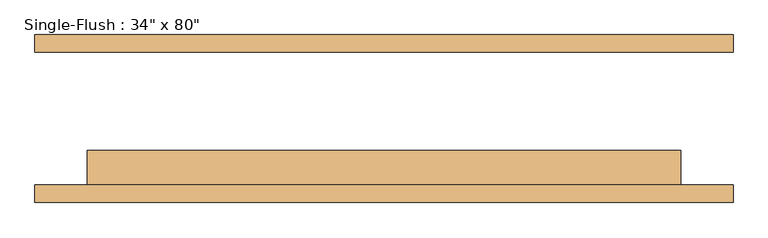
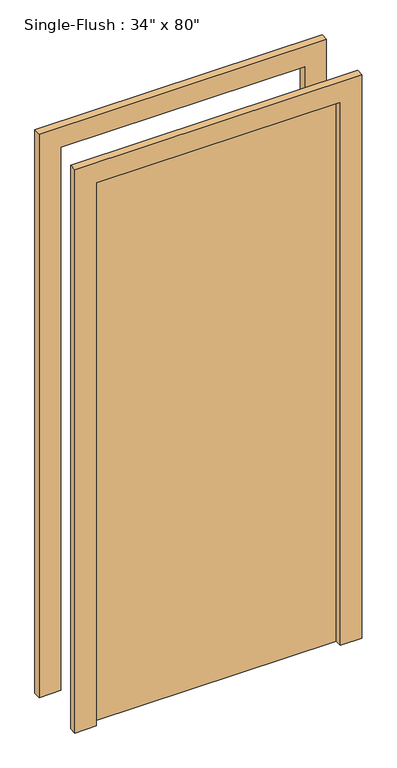
"""IFC4 building model written with IfcOpenShell, lengths in millimetres: door geometry."""

from ifc_helpers import new_model, si_unit, frame, origin, origin_with_axes, place, context, project, spatial, polyline, outline, extrude, source, transform, mapped, element, save


def door_a20226ba(model_context):
    return source(origin(), model_context, "Body", "SweptSolid", [
        extrude(outline(polyline([(2108.2, -508.0), (0.0, -508.0), (0.0, -431.8), (2032.0, -431.8), (2032.0, 431.8), (0.0, 431.8), (0.0, 508.0), (2108.2, 508.0), (2108.2, -508.0)])), frame((0.0, -122.2375, 0.0), z_axis=(0.0, 1.0, 0.0), x_axis=(0.0, 0.0, 1.0)), (0.0, 0.0, 1.0), 25.4),
        extrude(outline(polyline([(2108.2, 508.0), (2108.2, -508.0), (0.0, -508.0), (0.0, -431.8), (2032.0, -431.8), (2032.0, 431.8), (0.0, 431.8), (0.0, 508.0), (2108.2, 508.0)])), frame((0.0, 96.8375, 0.0), z_axis=(0.0, 1.0, 0.0), x_axis=(0.0, 0.0, 1.0)), (0.0, 0.0, 1.0), 25.4),
        extrude(outline(polyline([(431.8, -46.0375), (431.8, -96.8375), (-431.8, -96.8375), (-431.8, -46.0375), (431.8, -46.0375)])), origin_with_axes(), (0.0, 0.0, 1.0), 2032.0),
    ])


if __name__ == "__main__":
    model = new_model("IFC4")
    model_context = context("Model", 3, world=origin())
    ifc_project = project(units=[si_unit("LENGTHUNIT", "METRE", prefix="MILLI")], contexts=[model_context])
    site = spatial("IfcSite", under=ifc_project)
    building = spatial("IfcBuilding", under=site)
    placement = place(None, origin())
    door_shape = door_a20226ba(model_context)
    element("IfcDoor", 1, ObjectType="Single-Flush : 34\" x 80\"", at=placement, inside=building, context=model_context, shape_type="MappedRepresentation", body=[
        mapped(door_shape, transform((0.0, 0.0, 0.0), x_axis=(1.0, 0.0, 0.0), y_axis=(0.0, 1.0, 0.0), z_axis=(0.0, 0.0, 1.0))),
    ])
    save(model, "model.ifc")
